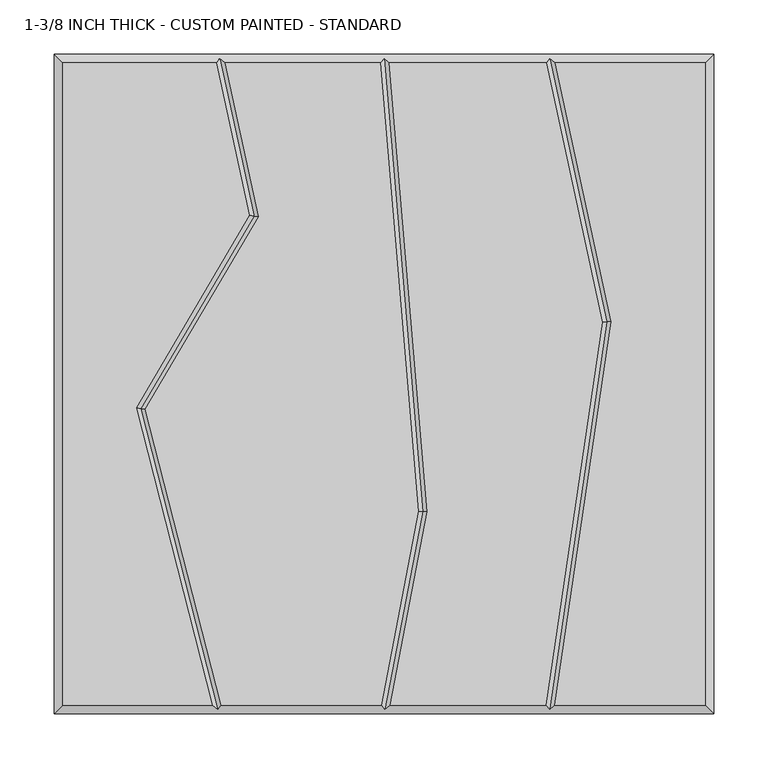
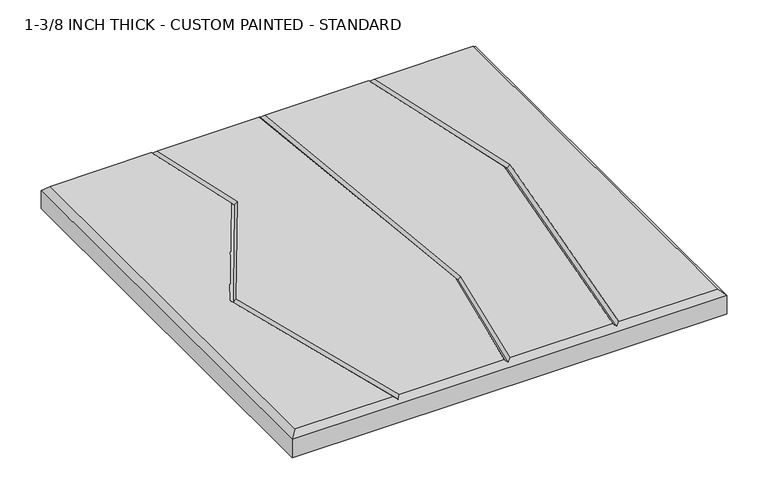
"""IFC4 building model written with IfcOpenShell, lengths in millimetres: proxy geometry, 1-3/8 INCH THICK - CUSTOM PAINTED - STANDARD."""

from ifc_helpers import new_model, si_unit, origin, place, context, project, spatial, faceted_brep, source, transform, mapped, element, save


def proxy_1_3_8_inch_thick_custom_painted_standard_2e03ceb6(model_context):
    return source(origin(), model_context, "Body", "Brep", [
        faceted_brep([(-296.799, 296.799, 34.925), (-296.799, -296.799, 34.925), (-158.5803507, -296.799, 34.925), (-228.9486116, -22.1618467, 34.925), (-124.326786, 155.8449273, 34.925), (-154.765405, 296.799, 34.925), (296.799, -296.799, 34.925), (296.799, 296.799, 34.925), (158.2217247, 296.799, 34.925), (209.9251981, 57.4644259, 34.925), (157.6255242, -296.799, 34.925), (-220.3791386, -23.3717887, 34.925), (-150.3208923, -296.799, 34.925), (-2.5427901, -296.799, 34.925), (31.7252909, -117.6291285, 34.925), (-3.3378716, 296.799, 34.925), (-146.5799748, 296.799, 34.925), (-115.8470875, 154.4822402, 34.925), (39.7905877, -118.051219, 34.925), (5.6032358, -296.799, 34.925), (149.5378056, -296.799, 34.925), (201.7977561, 57.1953504, 34.925), (150.0361542, 296.799, 34.925), (4.6917137, 296.799, 34.925), (-304.8, 304.8, 0.0), (304.8, 304.8, 0.0), (304.8, -304.8, 0.0), (-304.8, -304.8, 0.0), (-304.8, -304.8, 26.924), (-304.8, 304.8, 26.924), (304.8, -304.8, 26.924), (304.8, 304.8, 26.924), (-151.5365862, 300.7995, 30.9245), (0.3384542, 300.7995, 30.9245), (153.264711, 300.7995, 30.9245), (152.9910738, -300.7995, 30.9245), (0.7650861, -300.7995, 30.9245), (-153.4256028, -300.7995, 30.9245), (-224.6638751, -22.7668177, 30.9245), (-120.0869367, 155.1635838, 30.9245), (35.7579393, -117.8401737, 30.9245), (205.8614771, 57.3298882, 30.9245)], [[[0, 1, 2, 3, 4, 5]], [[6, 7, 8, 9, 10]], [[11, 12, 13, 14, 15, 16, 17]], [[18, 19, 20, 21, 22, 23]], [[24, 25, 26, 27]], [[24, 27, 28, 29]], [[27, 26, 30, 28]], [[26, 25, 31, 30]], [[25, 24, 29, 31]], [[29, 0, 5, 32, 16, 15, 33, 23, 22, 34, 8, 7, 31]], [[0, 29, 28, 1]], [[1, 28, 30, 6, 10, 35, 20, 19, 36, 13, 12, 37, 2]], [[31, 7, 6, 30]], [[38, 3, 2, 37]], [[11, 38, 37, 12]], [[3, 38, 39, 4]], [[38, 11, 17, 39]], [[4, 39, 32, 5]], [[39, 17, 16, 32]], [[40, 14, 13, 36]], [[18, 40, 36, 19]], [[14, 40, 33, 15]], [[40, 18, 23, 33]], [[41, 21, 20, 35]], [[9, 41, 35, 10]], [[21, 41, 34, 22]], [[41, 9, 8, 34]]]),
    ])


if __name__ == "__main__":
    model = new_model("IFC4")
    model_context = context("Model", 3, world=origin())
    ifc_project = project(units=[si_unit("LENGTHUNIT", "METRE", prefix="MILLI")], contexts=[model_context])
    site = spatial("IfcSite", under=ifc_project)
    building = spatial("IfcBuilding", under=site)
    placement = place(None, origin())
    proxy_1_3_8_inch_thick_custom_painted_standard_shape = proxy_1_3_8_inch_thick_custom_painted_standard_2e03ceb6(model_context)
    element("IfcBuildingElementProxy", 1, Name="1-3/8 INCH THICK - CUSTOM PAINTED - STANDARD", ObjectType="1-3/8 INCH THICK - CUSTOM PAINTED - STANDARD", at=placement, inside=building, context=model_context, shape_type="MappedRepresentation", body=[
        mapped(proxy_1_3_8_inch_thick_custom_painted_standard_shape, transform((0.0, 0.0, 0.0), x_axis=(1.0, 0.0, 0.0), y_axis=(0.0, 1.0, 0.0), z_axis=(0.0, 0.0, 1.0))),
    ])
    save(model, "model.ifc")
